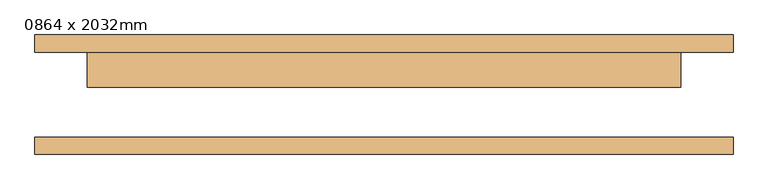
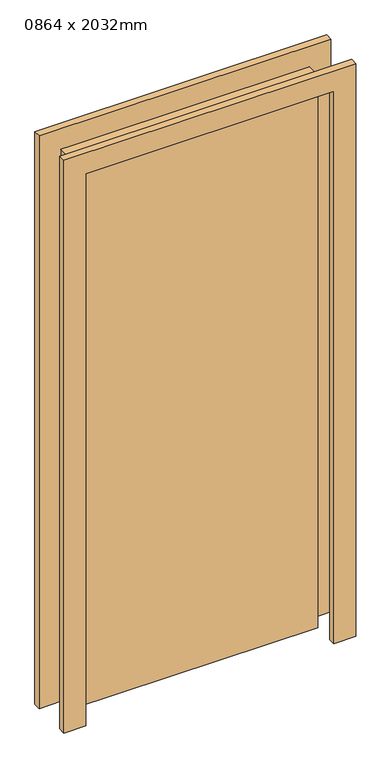
"""IFC4 building model written with IfcOpenShell, lengths in millimetres: door geometry, 0864 x 2032mm."""

from ifc_helpers import new_model, si_unit, frame, origin, origin_with_axes, place, context, project, spatial, polyline, outline, extrude, source, transform, mapped, element, save


def door_0864_x_2032mm_f1a57c69(model_context):
    return source(origin(), model_context, "Body", "SweptSolid", [
        extrude(outline(polyline([(2108.0, -508.0), (0.0, -508.0), (0.0, -432.0), (2032.0, -432.0), (2032.0, 432.0), (0.0, 432.0), (0.0, 508.0), (2108.0, 508.0), (2108.0, -508.0)])), frame((0.0, 62.0, 0.0), z_axis=(0.0, 1.0, 0.0), x_axis=(0.0, 0.0, 1.0)), (0.0, 0.0, 1.0), 25.0),
        extrude(outline(polyline([(2108.0, 508.0), (2108.0, -508.0), (0.0, -508.0), (0.0, -432.0), (2032.0, -432.0), (2032.0, 432.0), (0.0, 432.0), (0.0, 508.0), (2108.0, 508.0)])), frame((0.0, -87.0, 0.0), z_axis=(0.0, 1.0, 0.0), x_axis=(0.0, 0.0, 1.0)), (0.0, 0.0, 1.0), 25.0),
        extrude(outline(polyline([(432.0, 11.0), (-432.0, 11.0), (-432.0, 62.0), (432.0, 62.0), (432.0, 11.0)])), origin_with_axes(), (0.0, 0.0, 1.0), 2032.0),
    ])


if __name__ == "__main__":
    model = new_model("IFC4")
    model_context = context("Model", 3, world=origin())
    ifc_project = project(units=[si_unit("LENGTHUNIT", "METRE", prefix="MILLI")], contexts=[model_context])
    site = spatial("IfcSite", under=ifc_project)
    building = spatial("IfcBuilding", under=site)
    placement = place(None, origin())
    door_0864_x_2032mm_shape = door_0864_x_2032mm_f1a57c69(model_context)
    element("IfcDoor", 1, ObjectType="0864 x 2032mm", at=placement, inside=building, context=model_context, shape_type="MappedRepresentation", body=[
        mapped(door_0864_x_2032mm_shape, transform((0.0, 0.0, 0.0), x_axis=(1.0, 0.0, 0.0), y_axis=(0.0, 1.0, 0.0), z_axis=(0.0, 0.0, 1.0))),
    ])
    save(model, "model.ifc")
